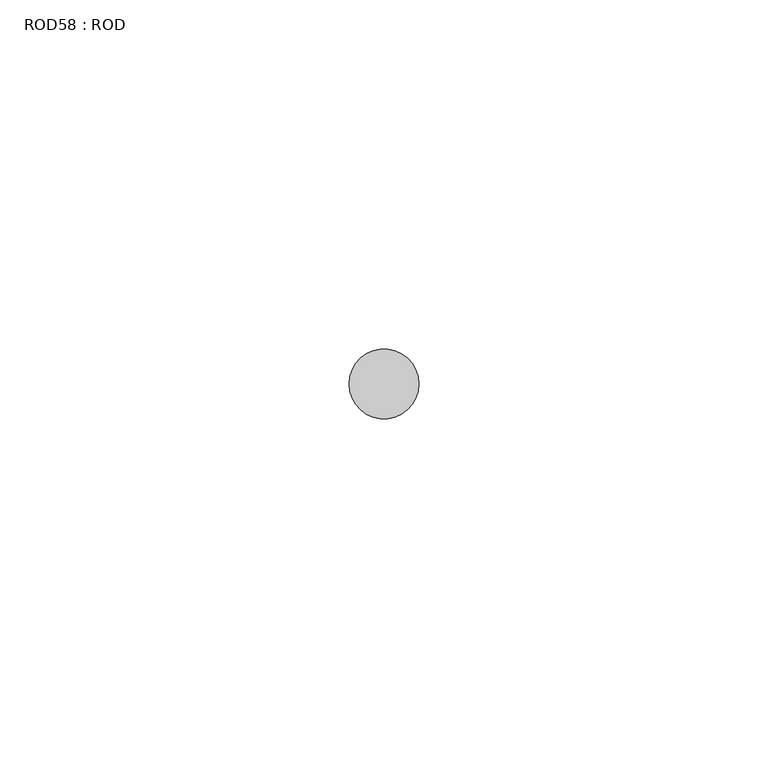
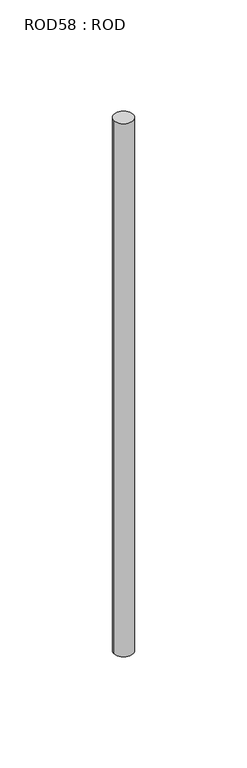
"""IFC4 building model written with IfcOpenShell, lengths in millimetres: proxy geometry, ROD58 : ROD."""

from ifc_helpers import new_model, si_unit, point, frame, frame_2d, origin, place, context, project, spatial, circle_curve, trimmed, segment, composite_curve, outline, extrude, source, transform, mapped, element, save


def rod58_rod_f4ddf374(model_context):
    return source(origin(), model_context, "Body", "SweptSolid", [
        extrude(outline(composite_curve([segment(trimmed(circle_curve(frame_2d((7792.7784384, -1114.6300853)), 5.0), [point((7787.7784384, -1114.6300853))], [point((7797.7784384, -1114.6300853))], False, "CARTESIAN"), True, "CONTINUOUS"), segment(trimmed(circle_curve(frame_2d((7792.7784384, -1114.6300853)), 5.0), [point((7797.7784384, -1114.6300853))], [point((7787.7784384, -1114.6300853))], False, "CARTESIAN"), True, "CONTINUOUS")], self_intersect=False)), frame((0.0, 0.0, -208.6608845), z_axis=(0.0, 0.0, 1.0), x_axis=(1.0, 0.0, 0.0)), (0.0, 0.0, 1.0), 298.9028972),
    ])


if __name__ == "__main__":
    model = new_model("IFC4")
    model_context = context("Model", 3, world=origin())
    ifc_project = project(units=[si_unit("LENGTHUNIT", "METRE", prefix="MILLI")], contexts=[model_context])
    site = spatial("IfcSite", under=ifc_project)
    building = spatial("IfcBuilding", under=site)
    placement = place(None, origin())
    rod58_rod_shape = rod58_rod_f4ddf374(model_context)
    element("IfcBuildingElementProxy", 1, Name="ROD58 : ROD", ObjectType="ROD58 : ROD", at=placement, inside=building, context=model_context, shape_type="MappedRepresentation", body=[
        mapped(rod58_rod_shape, transform((0.0, 0.0, 0.0), x_axis=(1.0, 0.0, 0.0), y_axis=(0.0, 1.0, 0.0), z_axis=(0.0, 0.0, 1.0))),
    ])
    save(model, "model.ifc")
